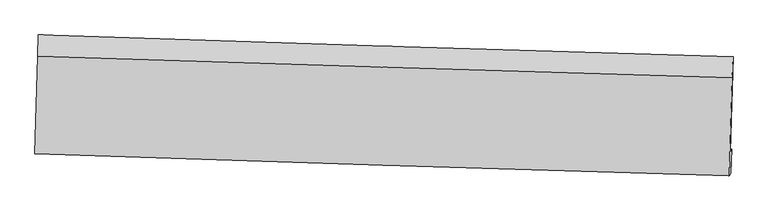
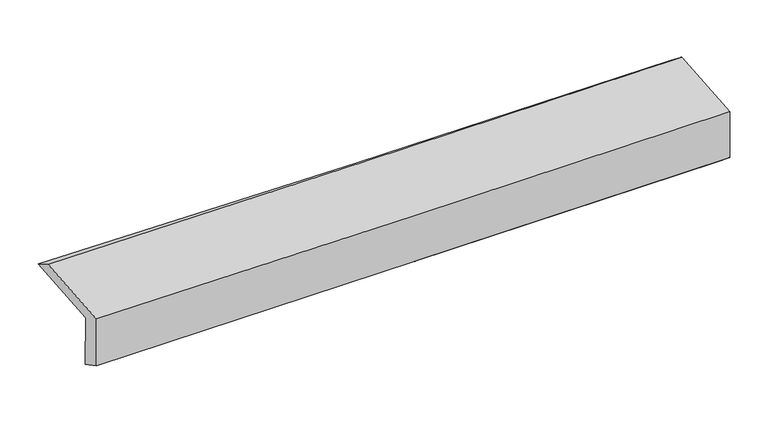
"""IFC4 building model written with IfcOpenShell, lengths in millimetres: proxy geometry."""

from ifc_helpers import new_model, si_unit, frame, origin, place, context, project, spatial, source, transform, mapped, element, save
from ifc_brep_helpers import plane_surface, spline_curve, spline_surface, advanced_brep


def generic_models_6c11177c(model_context):
    return source(origin(), model_context, "Body", "AdvancedBrep", [
        advanced_brep(
        [(-2441.2942136, -1729.0001116, 2001.5856692), (-2422.8397266, -1056.0231507, 2029.2589266), (2427.1141548, -1207.265341, 2104.9043062), (2408.317343, -1870.2367823, 2077.6289355), (-2432.540848, -1712.8543331, 1603.1043603), (2417.4321426, -1853.4243309, 1662.6939948), (-2438.8163834, -1870.2170576, 1690.7839221), (2409.6012593, -2022.8538032, 1801.3762055), (-2447.5651569, -1886.3543658, 2089.0561833), (2400.9622034, -2038.7887349, 2194.6537689), (-2428.838796, -1203.4630194, 2117.1371268), (2420.3232744, -1355.9156318, 2222.7479158)],
        [
            (0, 1),
            (1, 2, spline_curve(3, [(-2422.8397266, -1056.0231507, 2029.2589266), (-1611.112473055, -1082.476522167, 2036.21804499), (-799.422534576, -1108.356251621, 2046.039065937), (817.228150127, -1158.760947082, 2071.300928535), (1622.189505047, -1183.295281254, 2086.695033997), (2427.1141548, -1207.265341, 2104.9043062)], [4, 2, 4], [0.0, 7.9930956514219, 15.920657652843886])),
            (2, 3),
            (3, 0, spline_curve(3, [(2408.317343, -1870.2367823, 2077.6289355), (1603.448438542, -1847.941120629, 2059.35304403), (798.54336334, -1825.074375058, 2043.892606962), (-817.993221725, -1778.004965567, 2018.498110957), (-1629.625332033, -1753.792820996, 2008.610792709), (-2441.2942136, -1729.0001116, 2001.5856692)], [4, 2, 4], [0.0, 7.927562001421986, 15.920657652843886])),
            (4, 0),
            (3, 5),
            (5, 4, spline_curve(3, [(2417.4321426, -1853.4243309, 1662.6939948), (1612.381497677, -1831.463893758, 1652.691514992), (807.355305989, -1808.820549672, 1642.744682613), (-809.302763436, -1761.975221129, 1622.880547337), (-1620.934235413, -1737.761898954, 1612.964168064), (-2432.540848, -1712.8543331, 1603.1043603)], [4, 2, 4], [0.0, 7.927083477029376, 15.919696648309085])),
            (6, 4),
            (5, 7),
            (7, 6, spline_curve(3, [(2409.6012593, -2022.8538032, 1801.3762055), (1604.82442561, -1998.851974715, 1782.292890932), (800.064250668, -1974.186432992, 1763.571648945), (-816.075240108, -1923.318536252, 1726.701543521), (-1627.454279605, -1897.105162906, 1708.558690948), (-2438.8163834, -1870.2170576, 1690.7839221)], [4, 2, 4], [0.0, 7.926814550704099, 15.919156572563502])),
            (8, 6),
            (7, 9),
            (9, 8, spline_curve(3, [(2400.9622034, -2038.7887349, 2194.6537689), (1596.203431314, -2014.753591314, 2174.748228208), (791.443256404, -1990.088049564, 2156.026986282), (-824.732506951, -1939.287058482, 2120.808130164), (-1636.148118995, -1913.14114417, 2104.33017675), (-2447.5651569, -1886.3543658, 2089.0561833)], [4, 2, 4], [0.0, 7.92668454334371, 15.918895483129358])),
            (10, 8),
            (9, 11),
            (11, 10, spline_curve(3, [(2420.3232744, -1355.9156318, 2222.7479158), (1615.458286584, -1331.877386348, 2202.84016754), (810.592327273, -1307.208779165, 2184.116726237), (-805.795013329, -1256.401706849, 2148.89346849), (-1617.3164109, -1230.252776417, 2132.413313688), (-2428.838796, -1203.4630194, 2117.1371268)], [4, 2, 4], [0.0, 7.927202605466727, 15.919935889965908])),
            (1, 10),
            (11, 2),
        ],
        [
            spline_surface(3, 3, [[(-2441.2942136, -1729.0001116, 2001.5856692), (-1629.625332082, -1753.792820976, 2008.610792583), (-817.993221724, -1778.004965608, 2018.49811093), (798.543363339, -1825.074375017, 2043.892606988), (1603.448438485, -1847.941120621, 2059.353044083), (2408.317343, -1870.2367823, 2077.6289355)], [(-2435.142717941, -1504.674457963, 2010.810088344), (-1623.454379079, -1530.020721355, 2017.813210084), (-811.802992629, -1554.788727595, 2027.678429308), (804.771625562, -1602.969899089, 2053.028714142), (1609.695460704, -1626.392507489, 2068.467040727), (2414.582946925, -1649.24630187, 2086.720725747)], [(-2428.991222259, -1280.348804337, 2020.034507456), (-1617.283426055, -1306.248621746, 2027.015627554), (-805.612763543, -1331.572489531, 2036.858747666), (810.999887777, -1380.865423112, 2062.164821276), (1615.942482949, -1404.843894347, 2077.581037332), (2420.848550875, -1428.25582143, 2095.812515953)], [(-2422.8397266, -1056.0231507, 2029.2589266), (-1611.112473053, -1082.476522126, 2036.218045055), (-799.422534448, -1108.356251518, 2046.039066044), (817.22815, -1158.760947185, 2071.300928429), (1622.189505169, -1183.295281215, 2086.695033977), (2427.1141548, -1207.265341, 2104.9043062)]], [4, 4], [4, 2, 4], [0.0, 2.1942882005263487], [0.0, 7.9930956514219, 15.920657652843886]),
            spline_surface(3, 3, [[(-2432.540848, -1712.8543331, 1603.1043603), (-1620.934235474, -1737.761899022, 1612.9641681), (-809.302763463, -1761.975221057, 1622.880547299), (807.355306016, -1808.820549744, 1642.744682651), (1612.381497574, -1831.463893653, 1652.69151491), (2417.4321426, -1853.4243309, 1662.6939948)], [(-2435.458636555, -1718.236259279, 1735.931463276), (-1623.831267698, -1743.105539685, 1744.846376271), (-812.199582895, -1767.318469221, 1754.753068494), (804.417991779, -1814.238491482, 1776.460657415), (1609.403811222, -1836.956302658, 1788.245357951), (2414.393876078, -1859.028481382, 1801.005641684)], [(-2438.376425045, -1723.618185421, 1868.758566224), (-1626.728299858, -1748.449180312, 1876.728584413), (-815.096402292, -1772.661717444, 1886.625589735), (801.480677576, -1819.656433279, 1910.176632224), (1606.426124837, -1842.448711616, 1923.799201042), (2411.355609522, -1864.632631818, 1939.317288616)], [(-2441.2942136, -1729.0001116, 2001.5856692), (-1629.625332082, -1753.792820976, 2008.610792583), (-817.993221724, -1778.004965608, 2018.49811093), (798.543363339, -1825.074375017, 2043.892606988), (1603.448438485, -1847.941120621, 2059.353044083), (2408.317343, -1870.2367823, 2077.6289355)]], [4, 4], [4, 2, 4], [0.0, 1.3083432059445221], [0.0, 7.992613171279709, 15.919696648309085]),
            spline_surface(3, 3, [[(-2438.8163834, -1870.2170576, 1690.7839221), (-1627.454279481, -1897.10516302, 1708.558691002), (-816.075240109, -1923.318536319, 1726.701543537), (800.064250669, -1974.186432926, 1763.571648929), (1604.824425565, -1998.851974798, 1782.292890877), (2409.6012593, -2022.8538032, 1801.3762055)], [(-2436.72453827, -1817.762816107, 1661.557401493), (-1625.280931481, -1843.990741695, 1676.693850028), (-813.817747899, -1869.537431254, 1692.094544786), (802.494602446, -1919.064471887, 1723.295993498), (1607.343449564, -1943.055947737, 1739.092432243), (2412.21155373, -1966.377312421, 1755.148801956)], [(-2434.63269313, -1765.308574593, 1632.330880907), (-1623.107583473, -1790.876320347, 1644.829009075), (-811.560255673, -1815.756326122, 1657.48754605), (804.924954239, -1863.942510782, 1683.020338082), (1609.862473574, -1887.259920713, 1695.891973544), (2414.82184817, -1909.900821679, 1708.921398344)], [(-2432.540848, -1712.8543331, 1603.1043603), (-1620.934235474, -1737.761899022, 1612.9641681), (-809.302763463, -1761.975221057, 1622.880547299), (807.355306016, -1808.820549744, 1642.744682651), (1612.381497574, -1831.463893653, 1652.69151491), (2417.4321426, -1853.4243309, 1662.6939948)]], [4, 4], [4, 2, 4], [0.0, 0.6506468122665172], [0.0, 7.992342021859403, 15.919156572563502]),
            spline_surface(3, 3, [[(-2447.5651569, -1886.3543658, 2089.0561833), (-1636.148118906, -1913.141144091, 2104.330176736), (-824.732507006, -1939.287058609, 2120.808130081), (791.443256458, -1990.088049437, 2156.026986364), (1596.203431354, -2014.753591309, 2174.748228212), (2400.9622034, -2038.7887349, 2194.6537689)], [(-2444.64889905, -1880.975263039, 1956.2987629), (-1633.250172414, -1907.79581704, 1972.406348158), (-821.846751359, -1933.964217845, 1989.439267922), (794.316921209, -1984.787510599, 2025.208540575), (1599.077096105, -2009.453052471, 2043.929782422), (2403.841888714, -2033.477090999, 2063.561247755)], [(-2441.73264125, -1875.596160361, 1823.5413425), (-1630.352225972, -1902.450490071, 1840.48251958), (-818.960995755, -1928.641377083, 1858.070405696), (797.190585918, -1979.486971764, 1894.390094719), (1601.950760814, -2004.152513636, 1913.111336666), (2406.721573986, -2028.165447101, 1932.468726645)], [(-2438.8163834, -1870.2170576, 1690.7839221), (-1627.454279481, -1897.10516302, 1708.558691002), (-816.075240109, -1923.318536319, 1726.701543537), (800.064250669, -1974.186432926, 1763.571648929), (1604.824425565, -1998.851974798, 1782.292890877), (2409.6012593, -2022.8538032, 1801.3762055)]], [4, 4], [4, 2, 4], [0.0, 1.2916840702978667], [0.0, 7.992210939785648, 15.918895483129358]),
            spline_surface(3, 3, [[(-2428.838796, -1203.4630194, 2117.1371268), (-1617.316410891, -1230.252776326, 2132.413313687), (-805.795013363, -1256.401706721, 2148.893468595), (810.592327307, -1307.208779291, 2184.116726134), (1615.458286582, -1331.877386322, 2202.840167573), (2420.3232744, -1355.9156318, 2222.7479158)], [(-2435.080916307, -1431.093468225, 2107.776812293), (-1623.593646903, -1457.882232273, 2123.05226803), (-812.107511236, -1484.030157331, 2139.531689081), (804.209303698, -1534.835202654, 2174.753479535), (1609.040001487, -1559.502787978, 2193.476187789), (2413.869584047, -1583.539999494, 2213.38320017)], [(-2441.323036593, -1658.723916975, 2098.416497807), (-1629.870882894, -1685.511688144, 2113.691222393), (-818.420009132, -1711.658607999, 2130.169909595), (797.826280067, -1762.461626074, 2165.390232963), (1602.621716449, -1787.128189653, 2184.112207995), (2407.415893753, -1811.164367206, 2204.01848453)], [(-2447.5651569, -1886.3543658, 2089.0561833), (-1636.148118906, -1913.141144091, 2104.330176736), (-824.732507006, -1939.287058609, 2120.808130081), (791.443256458, -1990.088049437, 2156.026986364), (1596.203431354, -2014.753591309, 2174.748228212), (2400.9622034, -2038.7887349, 2194.6537689)]], [4, 4], [4, 2, 4], [0.0, 2.243192092756427], [0.0, 7.992733284499181, 15.919935889965908]),
            spline_surface(3, 3, [[(-2422.8397266, -1056.0231507, 2029.2589266), (-1611.112473053, -1082.476522126, 2036.218045055), (-799.422534448, -1108.356251518, 2046.039066044), (817.22815, -1158.760947185, 2071.300928429), (1622.189505169, -1183.295281215, 2086.695033977), (2427.1141548, -1207.265341, 2104.9043062)], [(-2424.839416378, -1105.169773586, 2058.551659993), (-1613.180452311, -1131.735273512, 2068.283134593), (-801.546694094, -1157.704736587, 2080.323866895), (815.016209095, -1208.243557888, 2108.906194331), (1619.945765646, -1232.822649585, 2125.410078497), (2424.850528006, -1256.815437934, 2144.185509388)], [(-2426.839106222, -1154.316396514, 2087.844393407), (-1615.248431634, -1180.99402494, 2100.34822415), (-803.670853718, -1207.053221652, 2114.608667744), (812.804268212, -1257.726168588, 2146.511460231), (1617.702026105, -1282.350017953, 2164.125123052), (2422.586901194, -1306.365534866, 2183.466712612)], [(-2428.838796, -1203.4630194, 2117.1371268), (-1617.316410891, -1230.252776326, 2132.413313687), (-805.795013363, -1256.401706721, 2148.893468595), (810.592327307, -1307.208779291, 2184.116726134), (1615.458286582, -1331.877386322, 2202.840167573), (2420.3232744, -1355.9156318, 2222.7479158)]], [4, 4], [4, 2, 4], [0.0, 0.6017315666983473], [0.0, 7.993398600118919, 15.921261066427553]),
            plane_surface(frame((2413.9583962, -1724.7474374, 2010.6675211), z_axis=(0.9993581073628419, -0.02918867329716437, 0.020770040907755413), x_axis=(0.021943521534195053, 0.04047531574042386, -0.9989395530653451))),
            plane_surface(frame((-2435.3158541, -1576.318673, 1921.8210314), z_axis=(-0.9993839798102222, 0.02826092188209533, -0.02080820013973899), x_axis=(-0.027388734203466165, -0.9987807913201381, -0.04107052627676844))),
        ],
        [
            (0, [[1, 2, 3, 4]]),
            (1, [[5, -4, 6, 7]]),
            (2, [[8, -7, 9, 10]]),
            (3, [[11, -10, 12, 13]]),
            (4, [[14, -13, 15, 16]]),
            (5, [[17, -16, 18, -2]]),
            (6, [[-12, -9, -6, -3, -18, -15]]),
            (7, [[-1, -5, -8, -11, -14, -17]]),
        ],
    ),
    ])


if __name__ == "__main__":
    model = new_model("IFC4")
    model_context = context("Model", 3, world=origin())
    ifc_project = project(units=[si_unit("LENGTHUNIT", "METRE", prefix="MILLI")], contexts=[model_context])
    site = spatial("IfcSite", under=ifc_project)
    building = spatial("IfcBuilding", under=site)
    placement = place(None, origin())
    generic_models_shape = generic_models_6c11177c(model_context)
    element("IfcBuildingElementProxy", 1, Name="Generic Models", at=placement, inside=building, context=model_context, shape_type="MappedRepresentation", body=[
        mapped(generic_models_shape, transform((0.0, 0.0, 0.0), x_axis=(1.0, 0.0, 0.0), y_axis=(0.0, 1.0, 0.0), z_axis=(0.0, 0.0, 1.0))),
    ])
    save(model, "model.ifc")
